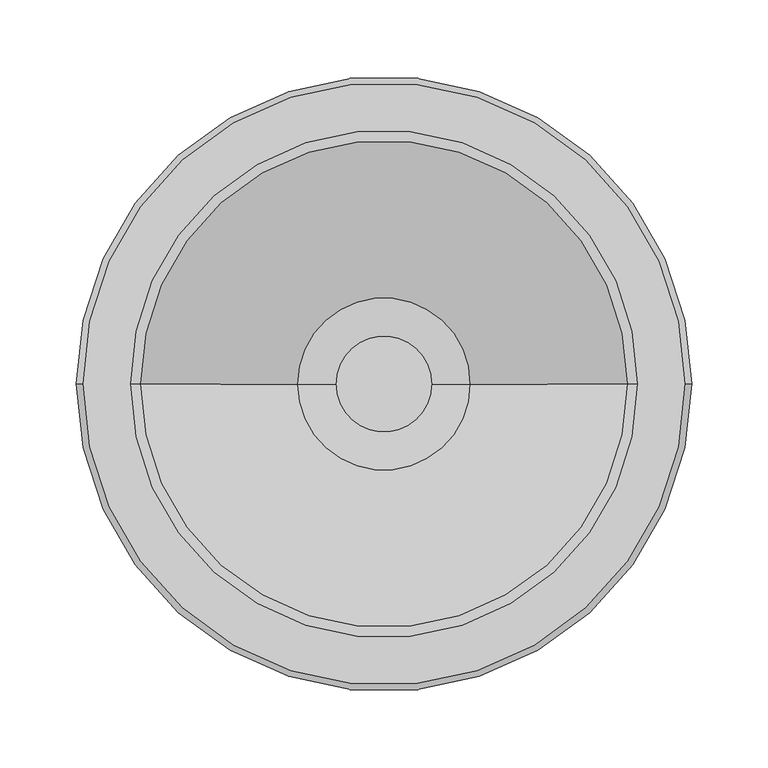
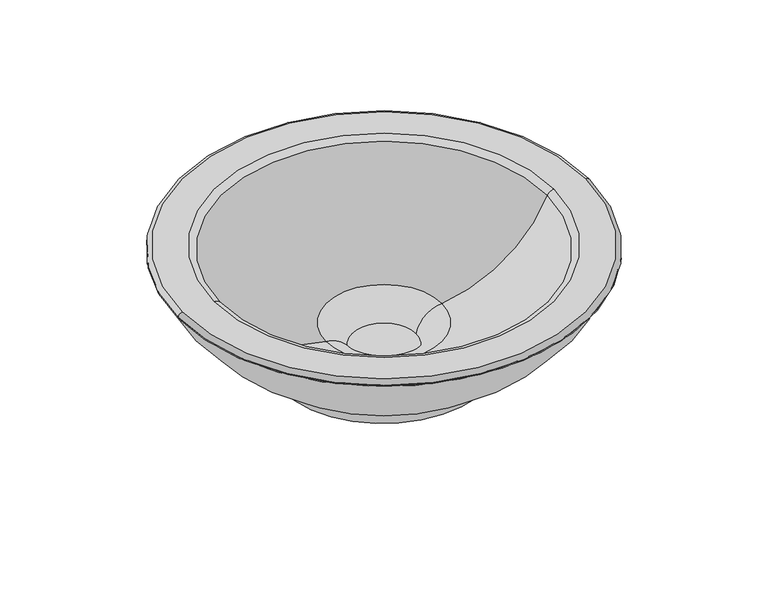
"""IFC4 building model written with IfcOpenShell, lengths in millimetres: flow terminal geometry."""

from ifc_helpers import new_model, si_unit, point, frame, origin, origin_2d, place, context, project, spatial, circle_curve, ellipse_curve, trimmed, segment, composite_curve, outline, extrude, source, transform, mapped, element, save
from ifc_brep_helpers import plane_surface, cylinder_surface, revolved_surface, advanced_brep


def flow_terminal_2a0180dc(model_context):
    return source(origin(), model_context, "Body", "SolidModel", [
        extrude(outline(composite_curve([segment(trimmed(circle_curve(origin_2d(), 100.0), [point((100.0, 0.0))], [point((-100.0, 0.0))], False, "CARTESIAN"), True, "CONTINUOUS"), segment(trimmed(circle_curve(origin_2d(), 100.0), [point((-100.0, 0.0))], [point((100.0, 0.0))], False, "CARTESIAN"), True, "CONTINUOUS")], self_intersect=False)), frame((0.0, 0.0, 762.0), z_axis=(0.0, 0.0, 1.0), x_axis=(1.0, 0.0, 0.0)), (0.0, 0.0, 1.0), 12.5),
        advanced_brep(
        [(-31.2043577, -1.103195, 774.5232945), (31.2043577, -1.103195, 774.5232945), (56.230023, -1.103195, 797.1483367), (-56.230023, -1.103195, 797.1483367), (-103.3077522, -1.103195, 778.0977015), (103.3077522, -1.103195, 778.0977015), (101.103195, -1.103195, 774.5232945), (-101.103195, -1.103195, 774.5232945), (-201.103195, -1.103195, 872.0), (201.103195, -1.103195, 872.0), (-201.103195, -1.103195, 873.0), (201.103195, -1.103195, 873.0), (-197.103195, -1.103195, 877.0), (197.103195, -1.103195, 877.0), (-159.3379241, -1.103195, 872.8540968), (159.3379241, -1.103195, 872.8540968), (165.7296477, -1.103195, 877.0), (-165.7296477, -1.103195, 877.0)],
        [
            (0, 1, circle_curve(frame((0.0, -1.103195, 774.5232945), z_axis=(0.0, 0.0, -1.0), x_axis=(1.0, 0.0, 0.0)), 31.2043577)),
            (1, 2, circle_curve(frame((57.9722554, -1.103195, 770.0682212), z_axis=(0.0, 1.0, 0.0), x_axis=(-1.0, 0.0, 0.0)), 27.136102)),
            (2, 3, circle_curve(frame((0.0, -1.103195, 797.1483367), z_axis=(0.0, 0.0, 1.0), x_axis=(1.0, 0.0, 0.0)), 56.230023)),
            (3, 0, circle_curve(frame((-57.9722554, -1.103195, 770.0682212), z_axis=(0.0, 1.0, 0.0), x_axis=(1.0, 0.0, 0.0)), 27.136102)),
            (4, 5, circle_curve(frame((0.0, -1.103195, 778.0977015), z_axis=(0.0, 0.0, -1.0), x_axis=(1.0, 0.0, 0.0)), 103.3077522)),
            (5, 6, circle_curve(frame((105.103195, -1.103195, 774.5232945), z_axis=(0.0, -1.0, 0.0), x_axis=(-1.0, 0.0, 0.0)), 4.0)),
            (6, 7, circle_curve(frame((0.0, -1.103195, 774.5232945), z_axis=(0.0, 0.0, 1.0), x_axis=(1.0, 0.0, 0.0)), 101.103195)),
            (7, 4, circle_curve(frame((-105.103195, -1.103195, 774.5232945), z_axis=(0.0, -1.0, 0.0), x_axis=(1.0, 0.0, 0.0)), 4.0)),
            (8, 9, circle_curve(frame((0.0, -1.103195, 872.0), z_axis=(0.0, 0.0, -1.0), x_axis=(1.0, 0.0, 0.0)), 201.103195)),
            (9, 5, circle_curve(frame((28.5583158, -1.103195, 953.8223604), z_axis=(0.0, 1.0, 0.0), x_axis=(-1.0, 0.0, 0.0)), 190.9623889)),
            (4, 8, circle_curve(frame((-28.5583158, -1.103195, 953.8223604), z_axis=(0.0, 1.0, 0.0), x_axis=(1.0, 0.0, 0.0)), 190.9623889)),
            (10, 11, circle_curve(frame((0.0, -1.103195, 873.0), z_axis=(0.0, 0.0, -1.0), x_axis=(1.0, 0.0, 0.0)), 201.103195)),
            (11, 9),
            (8, 10),
            (12, 13, circle_curve(frame((0.0, -1.103195, 877.0), z_axis=(0.0, 0.0, -1.0), x_axis=(1.0, 0.0, 0.0)), 197.103195)),
            (13, 11, circle_curve(frame((197.103195, -1.103195, 873.0), z_axis=(0.0, 1.0, 0.0), x_axis=(-1.0, 0.0, 0.0)), 4.0)),
            (10, 12, circle_curve(frame((-197.103195, -1.103195, 873.0), z_axis=(0.0, 1.0, 0.0), x_axis=(1.0, 0.0, 0.0)), 4.0)),
            (14, 15, circle_curve(frame((0.0, -1.103195, 872.8540968), z_axis=(0.0, 0.0, -1.0), x_axis=(1.0, 0.0, 0.0)), 159.3379241)),
            (15, 16, circle_curve(frame((165.7296477, -1.103195, 870.0), z_axis=(0.0, 1.0, 0.0), x_axis=(-1.0, 0.0, 0.0)), 7.0)),
            (16, 17, circle_curve(frame((0.0, -1.103195, 877.0), z_axis=(0.0, 0.0, 1.0), x_axis=(1.0, 0.0, 0.0)), 165.7296477)),
            (17, 14, circle_curve(frame((-165.7296477, -1.103195, 870.0), z_axis=(0.0, 1.0, 0.0), x_axis=(1.0, 0.0, 0.0)), 7.0)),
            (2, 15, circle_curve(frame((41.2867513, -1.103195, 925.567496), z_axis=(0.0, -1.0, 0.0), x_axis=(-1.0, 0.0, 0.0)), 129.2856598)),
            (14, 3, circle_curve(frame((-41.2867513, -1.103195, 925.567496), z_axis=(0.0, -1.0, 0.0), x_axis=(1.0, 0.0, 0.0)), 129.2856598)),
            (1, 0, circle_curve(frame((0.0, -1.103195, 774.5232945), z_axis=(0.0, 0.0, -1.0), x_axis=(-1.0, 0.0, 0.0)), 31.2043577)),
            (3, 2, circle_curve(frame((0.0, -1.103195, 797.1483367), z_axis=(0.0, 0.0, 1.0), x_axis=(-1.0, 0.0, 0.0)), 56.230023)),
            (6, 7, circle_curve(frame((0.0, -1.103195, 774.5232945), z_axis=(0.0, 0.0, -1.0), x_axis=(-1.0, 0.0, 0.0)), 101.103195)),
            (5, 4, circle_curve(frame((0.0, -1.103195, 778.0977015), z_axis=(0.0, 0.0, -1.0), x_axis=(-1.0, 0.0, 0.0)), 103.3077522)),
            (9, 8, circle_curve(frame((0.0, -1.103195, 872.0), z_axis=(0.0, 0.0, -1.0), x_axis=(-1.0, 0.0, 0.0)), 201.103195)),
            (11, 10, circle_curve(frame((0.0, -1.103195, 873.0), z_axis=(0.0, 0.0, -1.0), x_axis=(-1.0, 0.0, 0.0)), 201.103195)),
            (13, 12, circle_curve(frame((0.0, -1.103195, 877.0), z_axis=(0.0, 0.0, -1.0), x_axis=(-1.0, 0.0, 0.0)), 197.103195)),
            (16, 17, circle_curve(frame((0.0, -1.103195, 877.0), z_axis=(0.0, 0.0, -1.0), x_axis=(-1.0, 0.0, 0.0)), 165.7296477)),
            (15, 14, circle_curve(frame((0.0, -1.103195, 872.8540968), z_axis=(0.0, 0.0, -1.0), x_axis=(-1.0, 0.0, 0.0)), 159.3379241)),
        ],
        [
            revolved_surface(trimmed(ellipse_curve(frame((57.9722554, -1.103195, 770.0682212), z_axis=(0.0, -1.0, 0.0), x_axis=(-1.0, 0.0, 0.0)), 27.136102, 27.136102), [point((56.230023, -1.103195, 797.1483367))], [point((31.2043577, -1.103195, 774.5232945))], True, "CARTESIAN"), (0.0, -1.103195, 762.0), (0.0, 0.0, 1.0)),
            revolved_surface(trimmed(ellipse_curve(frame((105.103195, -1.103195, 774.5232945), z_axis=(0.0, 1.0, 0.0), x_axis=(-1.0, 0.0, 0.0)), 4.0, 4.0), [point((101.103195, -1.103195, 774.5232945))], [point((103.3077522, -1.103195, 778.0977015))], True, "CARTESIAN"), (0.0, -1.103195, 762.0), (0.0, 0.0, 1.0)),
            revolved_surface(trimmed(ellipse_curve(frame((28.5583158, -1.103195, 953.8223604), z_axis=(0.0, -1.0, 0.0), x_axis=(-1.0, 0.0, 0.0)), 190.9623889, 190.9623889), [point((103.3077522, -1.103195, 778.0977015))], [point((201.103195, -1.103195, 872.0))], True, "CARTESIAN"), (0.0, -1.103195, 762.0), (0.0, 0.0, 1.0)),
            cylinder_surface(frame((0.0, -1.103195, 762.0), z_axis=(0.0, 0.0, 1.0), x_axis=(1.0, 0.0, 0.0)), 201.103195),
            revolved_surface(trimmed(ellipse_curve(frame((197.103195, -1.103195, 873.0), z_axis=(0.0, -1.0, 0.0), x_axis=(-1.0, 0.0, 0.0)), 4.0, 4.0), [point((201.103195, -1.103195, 873.0))], [point((197.103195, -1.103195, 877.0))], True, "CARTESIAN"), (0.0, -1.103195, 762.0), (0.0, 0.0, 1.0)),
            revolved_surface(trimmed(ellipse_curve(frame((165.7296477, -1.103195, 870.0), z_axis=(0.0, -1.0, 0.0), x_axis=(-1.0, 0.0, 0.0)), 7.0, 7.0), [point((165.7296477, -1.103195, 877.0))], [point((159.3379241, -1.103195, 872.8540968))], True, "CARTESIAN"), (0.0, -1.103195, 762.0), (0.0, 0.0, 1.0)),
            revolved_surface(trimmed(ellipse_curve(frame((41.2867513, -1.103195, 925.567496), z_axis=(0.0, 1.0, 0.0), x_axis=(-1.0, 0.0, 0.0)), 129.2856598, 129.2856598), [point((159.3379241, -1.103195, 872.8540968))], [point((56.230023, -1.103195, 797.1483367))], True, "CARTESIAN"), (0.0, -1.103195, 762.0), (0.0, 0.0, 1.0)),
            revolved_surface(trimmed(ellipse_curve(frame((-57.9722554, -1.103195, 770.0682212), z_axis=(0.0, 1.0, 0.0), x_axis=(1.0, 0.0, 0.0)), 27.136102, 27.136102), [point((-56.230023, -1.103195, 797.1483367))], [point((-31.2043577, -1.103195, 774.5232945))], True, "CARTESIAN"), (0.0, -1.103195, 762.0), (0.0, 0.0, 1.0)),
            plane_surface(frame((0.0, -1.103195, 774.5232945), z_axis=(0.0, 0.0, -1.0), x_axis=(-1.0, 0.0, 0.0))),
            revolved_surface(trimmed(ellipse_curve(frame((-105.103195, -1.103195, 774.5232945), z_axis=(0.0, -1.0, 0.0), x_axis=(1.0, 0.0, 0.0)), 4.0, 4.0), [point((-101.103195, -1.103195, 774.5232945))], [point((-103.3077522, -1.103195, 778.0977015))], True, "CARTESIAN"), (0.0, -1.103195, 762.0), (0.0, 0.0, 1.0)),
            revolved_surface(trimmed(ellipse_curve(frame((-28.5583158, -1.103195, 953.8223604), z_axis=(0.0, 1.0, 0.0), x_axis=(1.0, 0.0, 0.0)), 190.9623889, 190.9623889), [point((-103.3077522, -1.103195, 778.0977015))], [point((-201.103195, -1.103195, 872.0))], True, "CARTESIAN"), (0.0, -1.103195, 762.0), (0.0, 0.0, 1.0)),
            cylinder_surface(frame((0.0, -1.103195, 762.0), z_axis=(0.0, 0.0, 1.0), x_axis=(-1.0, 0.0, 0.0)), 201.103195),
            revolved_surface(trimmed(ellipse_curve(frame((-197.103195, -1.103195, 873.0), z_axis=(0.0, 1.0, 0.0), x_axis=(1.0, 0.0, 0.0)), 4.0, 4.0), [point((-201.103195, -1.103195, 873.0))], [point((-197.103195, -1.103195, 877.0))], True, "CARTESIAN"), (0.0, -1.103195, 762.0), (0.0, 0.0, 1.0)),
            plane_surface(frame((0.0, -1.103195, 877.0), z_axis=(0.0, 0.0, 1.0), x_axis=(-1.0, 0.0, 0.0))),
            revolved_surface(trimmed(ellipse_curve(frame((-165.7296477, -1.103195, 870.0), z_axis=(0.0, 1.0, 0.0), x_axis=(1.0, 0.0, 0.0)), 7.0, 7.0), [point((-165.7296477, -1.103195, 877.0))], [point((-159.3379241, -1.103195, 872.8540968))], True, "CARTESIAN"), (0.0, -1.103195, 762.0), (0.0, 0.0, 1.0)),
            revolved_surface(trimmed(ellipse_curve(frame((-41.2867513, -1.103195, 925.567496), z_axis=(0.0, -1.0, 0.0), x_axis=(1.0, 0.0, 0.0)), 129.2856598, 129.2856598), [point((-159.3379241, -1.103195, 872.8540968))], [point((-56.230023, -1.103195, 797.1483367))], True, "CARTESIAN"), (0.0, -1.103195, 762.0), (0.0, 0.0, 1.0)),
        ],
        [
            (0, [[1, 2, 3, 4]]),
            (1, [[5, 6, 7, 8]]),
            (2, [[9, 10, -5, 11]]),
            (3, [[12, 13, -9, 14]]),
            (4, [[15, 16, -12, 17]]),
            (5, [[18, 19, 20, 21]]),
            (6, [[-3, 22, -18, 23]]),
            (7, [[24, -4, 25, -2]]),
            (8, [[26, -7], [-24, -1]]),
            (9, [[27, -8, -26, -6]]),
            (10, [[28, -11, -27, -10]]),
            (11, [[29, -14, -28, -13]]),
            (12, [[30, -17, -29, -16]]),
            (13, [[-30, -15], [31, -20]]),
            (14, [[32, -21, -31, -19]]),
            (15, [[-25, -23, -32, -22]]),
        ],
    ),
    ])


if __name__ == "__main__":
    model = new_model("IFC4")
    model_context = context("Model", 3, world=origin())
    ifc_project = project(units=[si_unit("LENGTHUNIT", "METRE", prefix="MILLI")], contexts=[model_context])
    site = spatial("IfcSite", under=ifc_project)
    building = spatial("IfcBuilding", under=site)
    placement = place(None, origin())
    flow_terminal_shape = flow_terminal_2a0180dc(model_context)
    element("IfcFlowTerminal", 1, at=placement, inside=building, context=model_context, shape_type="MappedRepresentation", body=[
        mapped(flow_terminal_shape, transform((0.0, 0.0, 0.0), x_axis=(1.0, 0.0, 0.0), y_axis=(0.0, 1.0, 0.0), z_axis=(0.0, 0.0, 1.0))),
    ])
    save(model, "model.ifc")
